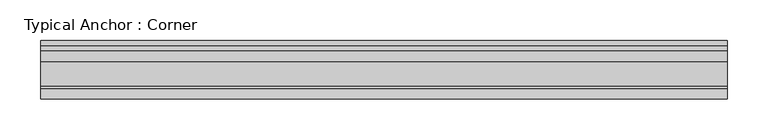
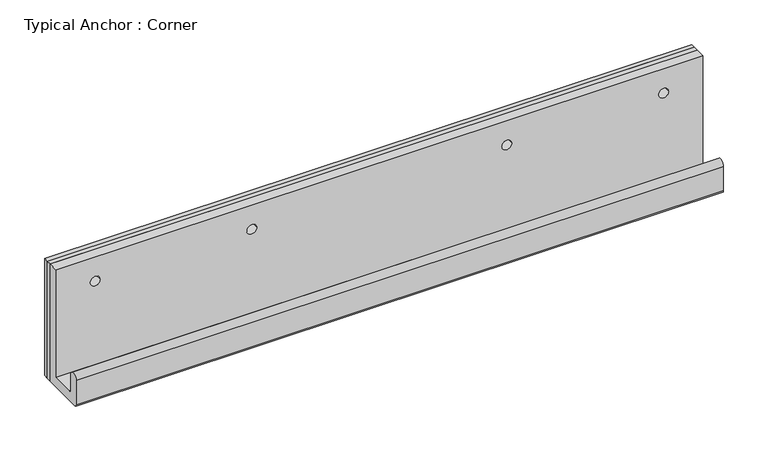
"""IFC4 building model written with IfcOpenShell, lengths in millimetres: fastener geometry, Typical Anchor : Corner."""

from ifc_helpers import new_model, si_unit, frame, origin, origin_with_axes, place, context, project, spatial, polyline, circle_curve, outline, extrude, source, transform, mapped, element, save
from ifc_brep_helpers import plane_surface, cylinder_surface, revolved_surface, advanced_brep


def typical_anchor_corner_54fcadd2(model_context):
    return source(origin(), model_context, "Body", "SolidModel", [
        advanced_brep(
        [(-374.65, -12.7, 127.0), (-374.65, -25.4, 127.0), (-361.95, -25.4, 127.0), (-361.95, -12.7, 127.0), (419.1, -12.7, 160.3375), (419.1, -25.4, 160.3375), (419.1, -25.4, 12.7), (419.1, -55.5625, 12.7), (419.1, -58.7375, 15.875), (419.1, -58.7375, 36.5125), (419.1, -71.4375, 36.5125), (419.1, -71.4375, 3.175), (419.1, -68.2625, 0.0), (419.1, -12.7, 0.0), (-419.1, -12.7, 160.3375), (-419.1, -12.7, 0.0), (-419.1, -68.2625, 0.0), (-419.1, -71.4375, 3.175), (-419.1, -71.4375, 36.5125), (-419.1, -58.7375, 36.5125), (-419.1, -58.7375, 15.875), (-419.1, -55.5625, 12.7), (-419.1, -25.4, 12.7), (-419.1, -25.4, 160.3375), (361.95, -12.7, 127.0), (361.95, -25.4, 127.0), (374.65, -25.4, 127.0), (374.65, -12.7, 127.0), (-158.75, -25.4, 127.0), (-171.45, -25.4, 127.0), (171.45, -25.4, 127.0), (158.75, -25.4, 127.0), (-171.45, -12.7, 127.0), (-158.75, -12.7, 127.0), (158.75, -12.7, 127.0), (171.45, -12.7, 127.0)],
        [
            (0, 1),
            (1, 2, circle_curve(frame((-368.3, -25.4, 127.0), z_axis=(0.0, -1.0, 0.0), x_axis=(1.0, 0.0, 0.0)), 6.35)),
            (2, 3),
            (3, 0, circle_curve(frame((-368.3, -12.7, 127.0), z_axis=(0.0, 1.0, 0.0), x_axis=(1.0, 0.0, 0.0)), 6.35)),
            (0, 3, circle_curve(frame((-368.3, -12.7, 127.0), z_axis=(0.0, 1.0, 0.0), x_axis=(1.0, 0.0, 0.0)), 6.35)),
            (2, 1, circle_curve(frame((-368.3, -25.4, 127.0), z_axis=(0.0, -1.0, 0.0), x_axis=(1.0, 0.0, 0.0)), 6.35)),
            (4, 5),
            (5, 6),
            (6, 7),
            (7, 8, circle_curve(frame((419.1, -55.5625, 15.875), z_axis=(-1.0, 0.0, 0.0), x_axis=(0.0, -1.0, 0.0)), 3.175)),
            (8, 9),
            (9, 10, circle_curve(frame((419.1, -65.0875, 36.5125), z_axis=(1.0, 0.0, 0.0), x_axis=(0.0, -1.0, 0.0)), 6.35)),
            (10, 11),
            (11, 12, circle_curve(frame((419.1, -68.2625, 3.175), z_axis=(1.0, 0.0, 0.0), x_axis=(0.0, -1.0, 0.0)), 3.175)),
            (12, 13),
            (13, 4),
            (14, 15),
            (15, 16),
            (16, 17, circle_curve(frame((-419.1, -68.2625, 3.175), z_axis=(-1.0, 0.0, 0.0), x_axis=(0.0, -1.0, 0.0)), 3.175)),
            (17, 18),
            (18, 19, circle_curve(frame((-419.1, -65.0875, 36.5125), z_axis=(-1.0, 0.0, 0.0), x_axis=(0.0, -1.0, 0.0)), 6.35)),
            (19, 20),
            (20, 21, circle_curve(frame((-419.1, -55.5625, 15.875), z_axis=(1.0, 0.0, 0.0), x_axis=(0.0, -1.0, 0.0)), 3.175)),
            (21, 22),
            (22, 23),
            (23, 14),
            (4, 14),
            (23, 5),
            (24, 25),
            (25, 26, circle_curve(frame((368.3, -25.4, 127.0), z_axis=(0.0, -1.0, 0.0), x_axis=(-1.0, 0.0, 0.0)), 6.35)),
            (26, 27),
            (27, 24, circle_curve(frame((368.3, -12.7, 127.0), z_axis=(0.0, 1.0, 0.0), x_axis=(-1.0, 0.0, 0.0)), 6.35)),
            (24, 27, circle_curve(frame((368.3, -12.7, 127.0), z_axis=(0.0, 1.0, 0.0), x_axis=(-1.0, 0.0, 0.0)), 6.35)),
            (26, 25, circle_curve(frame((368.3, -25.4, 127.0), z_axis=(0.0, -1.0, 0.0), x_axis=(-1.0, 0.0, 0.0)), 6.35)),
            (22, 6),
            (28, 29, circle_curve(frame((-165.1, -25.4, 127.0), z_axis=(0.0, 1.0, 0.0), x_axis=(1.0, 0.0, 0.0)), 6.35)),
            (29, 28, circle_curve(frame((-165.1, -25.4, 127.0), z_axis=(0.0, 1.0, 0.0), x_axis=(1.0, 0.0, 0.0)), 6.35)),
            (30, 31, circle_curve(frame((165.1, -25.4, 127.0), z_axis=(0.0, 1.0, 0.0), x_axis=(-1.0, 0.0, 0.0)), 6.35)),
            (31, 30, circle_curve(frame((165.1, -25.4, 127.0), z_axis=(0.0, 1.0, 0.0), x_axis=(-1.0, 0.0, 0.0)), 6.35)),
            (21, 7),
            (20, 8),
            (19, 9),
            (18, 10),
            (17, 11),
            (16, 12),
            (15, 13),
            (32, 33, circle_curve(frame((-165.1, -12.7, 127.0), z_axis=(0.0, -1.0, 0.0), x_axis=(1.0, 0.0, 0.0)), 6.35)),
            (33, 32, circle_curve(frame((-165.1, -12.7, 127.0), z_axis=(0.0, -1.0, 0.0), x_axis=(1.0, 0.0, 0.0)), 6.35)),
            (34, 35, circle_curve(frame((165.1, -12.7, 127.0), z_axis=(0.0, -1.0, 0.0), x_axis=(-1.0, 0.0, 0.0)), 6.35)),
            (35, 34, circle_curve(frame((165.1, -12.7, 127.0), z_axis=(0.0, -1.0, 0.0), x_axis=(-1.0, 0.0, 0.0)), 6.35)),
            (32, 29),
            (28, 33),
            (34, 31),
            (30, 35),
        ],
        [
            revolved_surface(polyline([(-361.95, -25.400000000000006, 127.0), (-361.95, -12.699999999999989, 127.0)]), (-368.3, 176.9675317, 127.0), (0.0, -1.0, 0.0)),
            plane_surface(frame((419.1, -25.4, 160.3375), z_axis=(1.0, 0.0, 0.0), x_axis=(0.0, -1.0, 0.0))),
            plane_surface(frame((-419.1, -25.4, 160.3375), z_axis=(-1.0, 0.0, 0.0), x_axis=(0.0, 1.0, 0.0))),
            plane_surface(frame((419.1, -12.7, 160.3375), z_axis=(0.0, 0.0, 1.0), x_axis=(-1.0, 0.0, 0.0))),
            revolved_surface(polyline([(361.95, -25.400000000000006, 127.0), (361.95, -12.699999999999989, 127.0)]), (368.3, 176.9675317, 127.0), (0.0, -1.0, 0.0)),
            plane_surface(frame((419.1, -25.4, 160.3375), z_axis=(0.0, -1.0, 0.0), x_axis=(-1.0, 0.0, 0.0))),
            plane_surface(frame((419.1, -25.4, 12.7), z_axis=(0.0, 0.0, 1.0), x_axis=(-1.0, 0.0, 0.0))),
            revolved_surface(polyline([(-419.1, -58.7375, 15.875), (419.1, -58.7375, 15.875)]), (-419.1, -55.5625, 15.875), (-1.0, 0.0, 0.0)),
            plane_surface(frame((419.1, -58.7375, 15.875), z_axis=(0.0, 1.0, 0.0), x_axis=(-1.0, 0.0, 0.0))),
            cylinder_surface(frame((-419.1, -65.0875, 36.5125), z_axis=(1.0, 0.0, 0.0), x_axis=(0.0, -1.0, 0.0)), 6.35),
            plane_surface(frame((419.1, -71.4375, 36.5125), z_axis=(0.0, -1.0, 0.0), x_axis=(-1.0, 0.0, 0.0))),
            cylinder_surface(frame((-419.1, -68.2625, 3.175), z_axis=(1.0, 0.0, 0.0), x_axis=(0.0, -1.0, 0.0)), 3.175),
            plane_surface(frame((419.1, -68.2625, 0.0), z_axis=(0.0, 0.0, -1.0), x_axis=(-1.0, 0.0, 0.0))),
            plane_surface(frame((419.1, -12.7, 0.0), z_axis=(0.0, 1.0, 0.0), x_axis=(-1.0, 0.0, 0.0))),
            revolved_surface(polyline([(-158.75, -25.400000000000006, 127.0), (-158.75, -12.699999999999989, 127.0)]), (-165.1, 176.9675317, 127.0), (0.0, -1.0, 0.0)),
            revolved_surface(polyline([(158.75, -25.400000000000006, 127.0), (158.75, -12.699999999999989, 127.0)]), (165.1, 176.9675317, 127.0), (0.0, -1.0, 0.0)),
        ],
        [
            (0, [[1, 2, 3, 4]]),
            (0, [[-1, 5, -3, 6]]),
            (1, [[7, 8, 9, 10, 11, 12, 13, 14, 15, 16]]),
            (2, [[17, 18, 19, 20, 21, 22, 23, 24, 25, 26]]),
            (3, [[-7, 27, -26, 28]]),
            (4, [[29, 30, 31, 32]]),
            (4, [[-29, 33, -31, 34]]),
            (5, [[-8, -28, -25, 35], [-2, -6], [-30, -34], [36, 37], [38, 39]]),
            (6, [[-9, -35, -24, 40]]),
            (7, [[-10, -40, -23, 41]]),
            (8, [[-11, -41, -22, 42]]),
            (9, [[-12, -42, -21, 43]]),
            (10, [[-13, -43, -20, 44]]),
            (11, [[-14, -44, -19, 45]]),
            (12, [[-15, -45, -18, 46]]),
            (13, [[-16, -46, -17, -27], [-4, -5], [-32, -33], [47, 48], [49, 50]]),
            (14, [[51, -36, 52, -47]]),
            (14, [[-51, -48, -52, -37]]),
            (15, [[53, -38, 54, -49]]),
            (15, [[-53, -50, -54, -39]]),
        ],
    ),
        extrude(outline(polyline([(419.1, -6.35), (419.1, -12.7), (-419.1, -12.7), (-419.1, -6.35), (419.1, -6.35)])), origin_with_axes(), (0.0, 0.0, 1.0), 160.3375),
        extrude(outline(polyline([(419.1, 0.0), (419.1, -6.35), (-419.1, -6.35), (-419.1, 0.0), (419.1, 0.0)])), origin_with_axes(), (0.0, 0.0, 1.0), 160.3375),
    ])


if __name__ == "__main__":
    model = new_model("IFC4")
    model_context = context("Model", 3, world=origin())
    ifc_project = project(units=[si_unit("LENGTHUNIT", "METRE", prefix="MILLI")], contexts=[model_context])
    site = spatial("IfcSite", under=ifc_project)
    building = spatial("IfcBuilding", under=site)
    placement = place(None, origin())
    typical_anchor_corner_shape = typical_anchor_corner_54fcadd2(model_context)
    element("IfcFastener", 1, ObjectType="Typical Anchor : Corner", at=placement, inside=building, context=model_context, shape_type="MappedRepresentation", body=[
        mapped(typical_anchor_corner_shape, transform((0.0, 0.0, 0.0), x_axis=(1.0, 0.0, 0.0), y_axis=(0.0, 1.0, 0.0), z_axis=(0.0, 0.0, 1.0))),
    ])
    save(model, "model.ifc")
